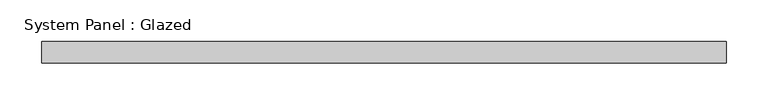
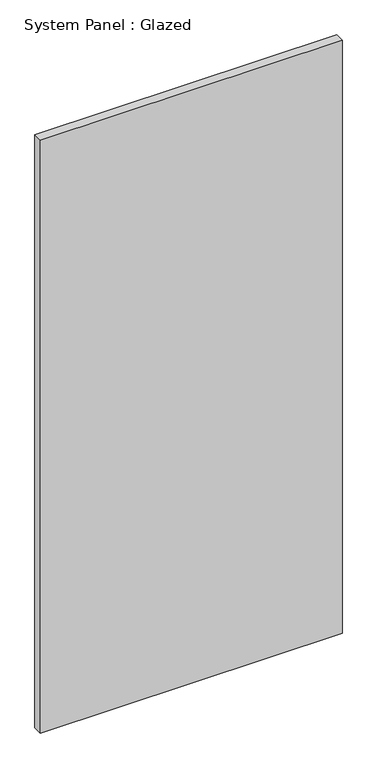
"""IFC4 building model written with IfcOpenShell, lengths in millimetres: plate geometry, System Panel : Glazed."""

from ifc_helpers import new_model, si_unit, origin, origin_with_axes, place, context, project, spatial, polyline, outline, extrude, source, transform, mapped, element, save


def system_panel_glazed_0f3f94b3(model_context):
    return source(origin(), model_context, "Body", "SweptSolid", [
        extrude(outline(polyline([(409.575, 19.05), (-409.575, 19.05), (-409.575, 44.45), (409.575, 44.45), (409.575, 19.05)])), origin_with_axes(), (0.0, 0.0, 1.0), 1701.8),
    ])


if __name__ == "__main__":
    model = new_model("IFC4")
    model_context = context("Model", 3, world=origin())
    ifc_project = project(units=[si_unit("LENGTHUNIT", "METRE", prefix="MILLI")], contexts=[model_context])
    site = spatial("IfcSite", under=ifc_project)
    building = spatial("IfcBuilding", under=site)
    placement = place(None, origin())
    system_panel_glazed_shape = system_panel_glazed_0f3f94b3(model_context)
    element("IfcPlate", 1, ObjectType="System Panel : Glazed", at=placement, inside=building, context=model_context, shape_type="MappedRepresentation", body=[
        mapped(system_panel_glazed_shape, transform((0.0, 0.0, 0.0), x_axis=(1.0, 0.0, 0.0), y_axis=(0.0, 1.0, 0.0), z_axis=(0.0, 0.0, 1.0))),
    ])
    save(model, "model.ifc")
